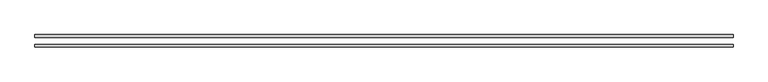
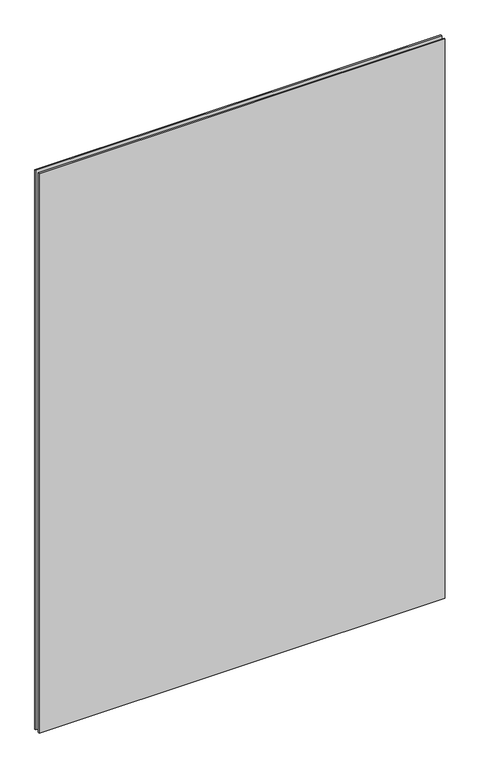
"""IFC4 building model written with IfcOpenShell, lengths in millimetres: plate geometry."""

from ifc_helpers import new_model, si_unit, origin, origin_with_axes, place, context, project, spatial, polyline, outline, extrude, source, transform, mapped, element, save


def plate_0b4a1aaa(model_context):
    return source(origin(), model_context, "Body", "SweptSolid", [
        extrude(outline(polyline([(-800.186381, 14.0), (800.186381, 14.0), (800.186381, 8.0), (-800.186381, 8.0), (-800.186381, 14.0)])), origin_with_axes(), (0.0, 0.0, 1.0), 2328.9085582),
        extrude(outline(polyline([(-800.186381, -8.0), (800.186381, -8.0), (800.186381, -14.0), (-800.186381, -14.0), (-800.186381, -8.0)])), origin_with_axes(), (0.0, 0.0, 1.0), 2328.9085582),
    ])


if __name__ == "__main__":
    model = new_model("IFC4")
    model_context = context("Model", 3, world=origin())
    ifc_project = project(units=[si_unit("LENGTHUNIT", "METRE", prefix="MILLI")], contexts=[model_context])
    site = spatial("IfcSite", under=ifc_project)
    building = spatial("IfcBuilding", under=site)
    placement = place(None, origin())
    plate_shape = plate_0b4a1aaa(model_context)
    element("IfcPlate", 1, at=placement, inside=building, context=model_context, shape_type="MappedRepresentation", body=[
        mapped(plate_shape, transform((0.0, 0.0, 0.0), x_axis=(1.0, 0.0, 0.0), y_axis=(0.0, 1.0, 0.0), z_axis=(0.0, 0.0, 1.0))),
    ])
    save(model, "model.ifc")
